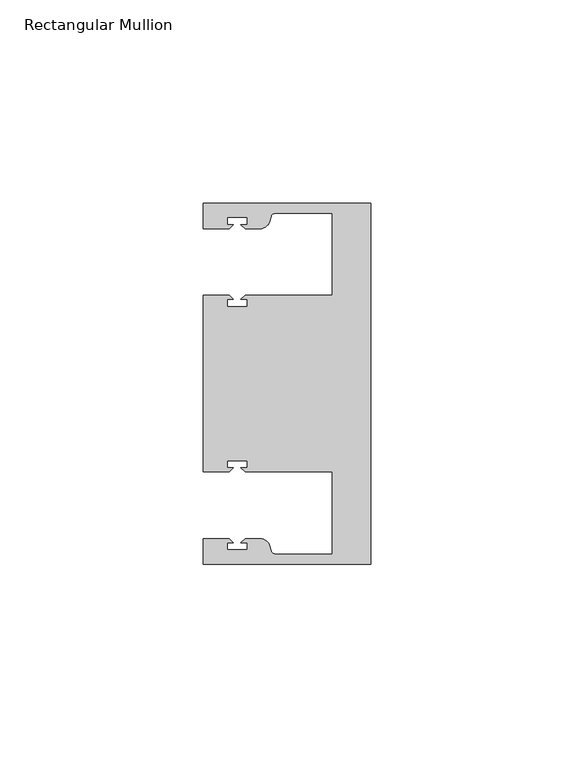
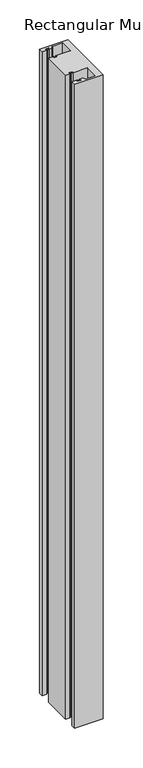
"""IFC4 building model written with IfcOpenShell, lengths in millimetres: member geometry, Rectangular Mullion."""

from ifc_helpers import new_model, si_unit, point, frame, frame_2d, origin, place, context, project, spatial, polyline, circle_curve, trimmed, segment, composite_curve, outline, extrude, source, transform, mapped, element, save


def rectangular_mullion_1bfce1c3(model_context):
    return source(origin(), model_context, "Body", "SweptSolid", [
        extrude(outline(composite_curve([segment(polyline([(0.0, 44.45), (0.0, -44.45), (-41.275, -44.45), (-41.275, -38.1499897), (-34.8007531, -38.1499897), (-33.8007405, -39.1500023), (-35.3749778, -39.1500023), (-35.3749778, -40.9498819), (-30.3749831, -40.9498819), (-30.3749831, -39.1500023), (-31.949256, -39.1500023), (-30.9492503, -38.1499966), (-27.2637853, -38.1499966)]), True, "CONTINUOUS"), segment(trimmed(circle_curve(frame_2d((-27.2637853, -40.6499966)), 2.5), [point((-27.2637853, -38.1499966))], [point((-24.8489707, -40.002949))], False, "CARTESIAN"), True, "CONTINUOUS"), segment(polyline([(-24.8489707, -40.002949), (-24.5258588, -41.2088192)]), True, "CONTINUOUS"), segment(trimmed(circle_curve(frame_2d((-23.5599329, -40.9500001)), 1.0), [point((-24.5258588, -41.2088192))], [point((-23.5599329, -41.9500001))], True, "CARTESIAN"), True, "CONTINUOUS"), segment(polyline([(-23.5599329, -41.9500001), (-9.525, -41.95), (-9.525, -21.7499959), (-30.9492434, -21.7499959), (-31.949256, -20.7499834), (-30.3750186, -20.7499834), (-30.3750186, -18.949936), (-35.3750134, -18.949936), (-35.3750134, -20.7499834), (-33.8007405, -20.7499834), (-34.8007562, -21.749999), (-41.275, -21.749999), (-41.275, 21.749999), (-34.8007562, 21.749999), (-33.8007405, 20.7499834), (-35.3750134, 20.7499834), (-35.3750134, 18.949936), (-30.3750186, 18.949936), (-30.3750186, 20.7499834), (-31.949256, 20.7499834), (-30.9492434, 21.7499959), (-9.525, 21.7499959), (-9.525, 41.95), (-23.5599329, 41.95)]), True, "CONTINUOUS"), segment(trimmed(circle_curve(frame_2d((-23.5599329, 40.9500001)), 1.0), [point((-23.5599329, 41.95))], [point((-24.5258588, 41.2088192))], True, "CARTESIAN"), True, "CONTINUOUS"), segment(polyline([(-24.5258588, 41.2088192), (-24.8489707, 40.002949)]), True, "CONTINUOUS"), segment(trimmed(circle_curve(frame_2d((-27.2637853, 40.6499966)), 2.5), [point((-24.8489707, 40.002949))], [point((-27.2637853, 38.1499966))], False, "CARTESIAN"), True, "CONTINUOUS"), segment(polyline([(-27.2637853, 38.1499966), (-30.9492503, 38.1499966), (-31.949256, 39.1500023), (-30.3749831, 39.1500023), (-30.3749831, 40.9498819), (-35.3749778, 40.9498819), (-35.3749778, 39.1500023), (-33.8007405, 39.1500023), (-34.8007531, 38.1499897), (-41.2749977, 38.1499897), (-41.2749977, 44.45), (0.0, 44.45)]), True, "CONTINUOUS")], self_intersect=False)), frame((0.0, 0.0, -990.6), z_axis=(0.0, 0.0, 1.0), x_axis=(1.0, 0.0, 0.0)), (0.0, 0.0, 1.0), 990.6),
    ])


if __name__ == "__main__":
    model = new_model("IFC4")
    model_context = context("Model", 3, world=origin())
    ifc_project = project(units=[si_unit("LENGTHUNIT", "METRE", prefix="MILLI")], contexts=[model_context])
    site = spatial("IfcSite", under=ifc_project)
    building = spatial("IfcBuilding", under=site)
    placement = place(None, origin())
    rectangular_mullion_shape = rectangular_mullion_1bfce1c3(model_context)
    element("IfcMember", 1, ObjectType="Rectangular Mullion", at=placement, inside=building, context=model_context, shape_type="MappedRepresentation", body=[
        mapped(rectangular_mullion_shape, transform((0.0, 0.0, 0.0), x_axis=(1.0, 0.0, 0.0), y_axis=(0.0, 1.0, 0.0), z_axis=(0.0, 0.0, 1.0))),
    ])
    save(model, "model.ifc")
